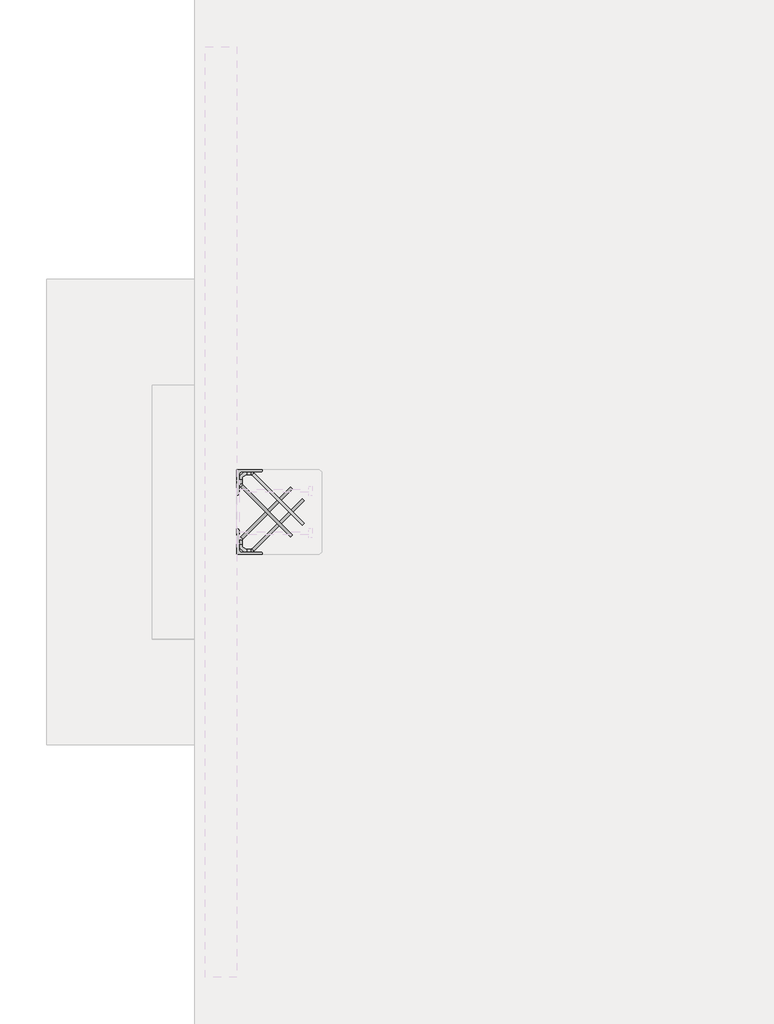
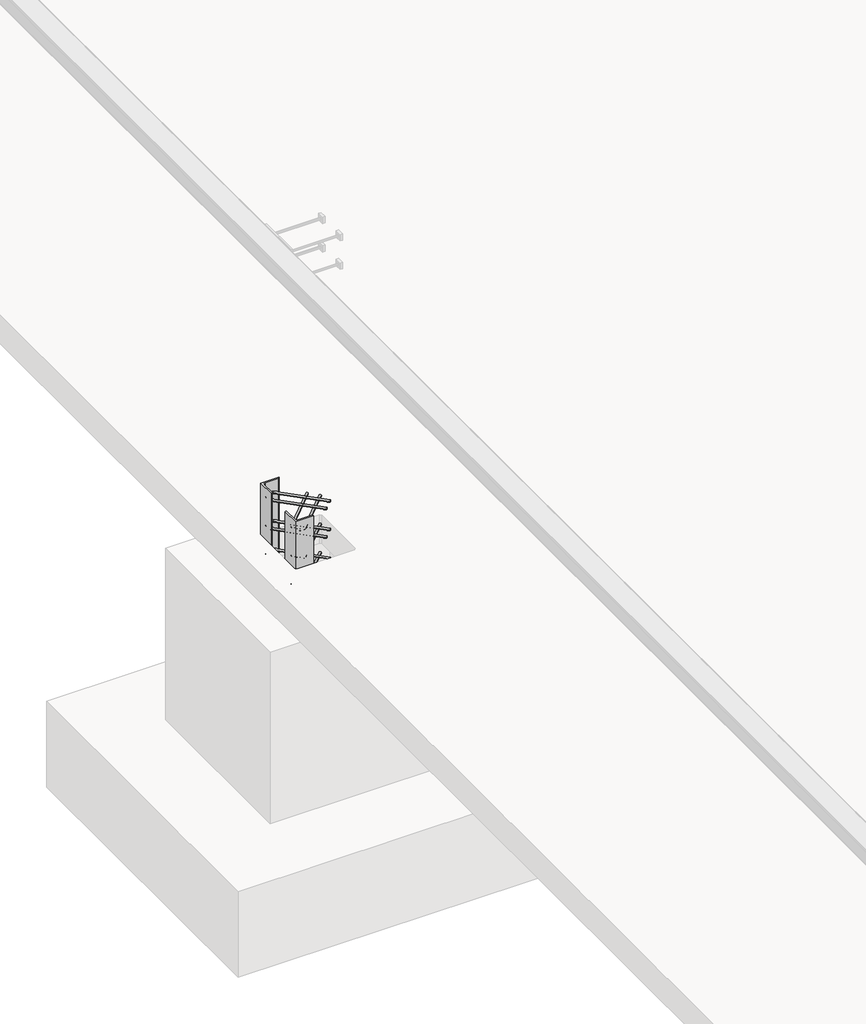
# One storey, part 32 of 65: 2 fasteners.
"""IFC4 building model written with IfcOpenShell, lengths in millimetres."""

from ifc_helpers import new_model, si_unit, point, frame, frame_2d, origin, place, context, project, spatial, polyline, circle_curve, ellipse_curve, trimmed, segment, composite_curve, outline, extrude, element, save
from ifc_brep_helpers import plane_surface, cylinder_surface, revolved_surface, advanced_brep

model = new_model("IFC4")

# Units and contexts
model_context = context("Model", 3, world=origin())
ifc_project = project(units=[si_unit("LENGTHUNIT", "METRE", prefix="MILLI")], contexts=[model_context])

# Site, building, storey
site = spatial("IfcSite", under=ifc_project)
building = spatial("IfcBuilding", under=site)
storey = spatial("IfcBuildingStorey", under=building, Elevation=0.0)

# Fasteners
placement = place(None, origin())
element("IfcFastener", 1, at=placement, inside=storey, context=model_context, shape_type="SolidModel", body=[
    advanced_brep(
    [(10117.4371209, 32747.4623741, -120.0), (10107.5376259, 32737.5628791, -120.0), (10052.5376259, 32682.5628791, -120.0), (10062.4371209, 32692.4623741, -120.0), (9824.0, 32953.0, -120.0), (9810.0, 32953.0, -120.0), (9810.0, 32934.2132034, -120.0), (9824.0, 32934.2132034, -120.0), (9847.0, 32976.0, -120.0), (9847.0, 32990.0, -120.0), (9865.7867966, 32976.0, -120.0), (9865.7867966, 32990.0, -120.0), (9881.3431458, 32983.5563492, -120.0), (9871.4436508, 32973.6568542, -120.0), (9826.3431458, 32928.5563492, -120.0), (9816.4436508, 32918.6568542, -120.0)],
    [
        (0, 1, circle_curve(frame((10112.4873734, 32742.5126266, -120.0), z_axis=(0.7071067811865446, -0.7071067811865505, 0.0), x_axis=(-0.7071067811865506, -0.7071067811865447, 0.0)), 7.0)),
        (1, 0, circle_curve(frame((10112.4873734, 32742.5126266, -120.0), z_axis=(0.7071067811865446, -0.7071067811865505, 0.0), x_axis=(-0.7071067811865506, -0.7071067811865447, 0.0)), 7.0)),
        (2, 3, circle_curve(frame((10057.4873734, 32687.5126266, -120.0), z_axis=(0.7071067811865447, -0.7071067811865503, 0.0), x_axis=(0.7071067811865503, 0.7071067811865447, 0.0)), 7.0)),
        (3, 2, circle_curve(frame((10057.4873734, 32687.5126266, -120.0), z_axis=(0.7071067811865447, -0.7071067811865503, 0.0), x_axis=(0.7071067811865503, 0.7071067811865447, 0.0)), 7.0)),
        (4, 5, circle_curve(frame((9817.0, 32953.0, -120.0), z_axis=(0.0, -1.0, 0.0), x_axis=(1.0, 0.0, 0.0)), 7.0)),
        (5, 6),
        (6, 7, circle_curve(frame((9817.0, 32934.2132034, -120.0), z_axis=(0.0, 1.0, 0.0), x_axis=(1.0, 0.0, 0.0)), 7.0)),
        (7, 4),
        (5, 4, circle_curve(frame((9817.0, 32953.0, -120.0), z_axis=(0.0, -1.0, 0.0), x_axis=(1.0, 0.0, 0.0)), 7.0)),
        (7, 6, circle_curve(frame((9817.0, 32934.2132034, -120.0), z_axis=(0.0, 1.0, 0.0), x_axis=(1.0, 0.0, 0.0)), 7.0)),
        (4, 8, circle_curve(frame((9847.0, 32953.0, -120.0), z_axis=(0.0, 0.0, -1.0), x_axis=(0.0, 1.0, 0.0)), 23.0)),
        (8, 9, circle_curve(frame((9847.0, 32983.0, -120.0), z_axis=(-1.0, 0.0, 0.0), x_axis=(0.0, -1.0, 0.0)), 7.0)),
        (9, 5, circle_curve(frame((9847.0, 32953.0, -120.0), z_axis=(0.0, 0.0, 1.0), x_axis=(0.0, 1.0, 0.0)), 37.0)),
        (9, 8, circle_curve(frame((9847.0, 32983.0, -120.0), z_axis=(-1.0, 0.0, 0.0), x_axis=(0.0, -1.0, 0.0)), 7.0)),
        (10, 11, circle_curve(frame((9865.7867966, 32983.0, -120.0), z_axis=(-1.0, 0.0, 0.0), x_axis=(0.0, -1.0, 0.0)), 7.0)),
        (11, 9),
        (8, 10),
        (11, 10, circle_curve(frame((9865.7867966, 32983.0, -120.0), z_axis=(-1.0, 0.0, 0.0), x_axis=(0.0, -1.0, 0.0)), 7.0)),
        (0, 12),
        (12, 13, circle_curve(frame((9876.3933983, 32978.6066017, -120.0), z_axis=(0.7071067811865446, -0.7071067811865505, 0.0), x_axis=(-0.7071067811865506, -0.7071067811865447, 0.0)), 7.0)),
        (13, 1),
        (13, 12, circle_curve(frame((9876.3933983, 32978.6066017, -120.0), z_axis=(0.7071067811865446, -0.7071067811865505, 0.0), x_axis=(-0.7071067811865506, -0.7071067811865447, 0.0)), 7.0)),
        (10, 13, circle_curve(frame((9865.7867966, 32968.0, -120.0), z_axis=(0.0, 0.0, -1.0), x_axis=(0.7071067811865506, 0.7071067811865445, 0.0)), 8.0)),
        (12, 11, circle_curve(frame((9865.7867966, 32968.0, -120.0), z_axis=(0.0, 0.0, 1.0), x_axis=(0.7071067811865506, 0.7071067811865445, 0.0)), 22.0)),
        (14, 7, circle_curve(frame((9832.0, 32934.2132034, -120.0), z_axis=(0.0, 0.0, -1.0), x_axis=(-1.0, 0.0, 0.0)), 8.0)),
        (6, 15, circle_curve(frame((9832.0, 32934.2132034, -120.0), z_axis=(0.0, 0.0, 1.0), x_axis=(-1.0, 0.0, 0.0)), 22.0)),
        (15, 14, circle_curve(frame((9821.3933983, 32923.6066017, -120.0), z_axis=(-0.7071067811865449, 0.7071067811865501, 0.0), x_axis=(0.7071067811865501, 0.7071067811865449, 0.0)), 7.0)),
        (14, 15, circle_curve(frame((9821.3933983, 32923.6066017, -120.0), z_axis=(-0.7071067811865452, 0.7071067811865498, 0.0), x_axis=(0.7071067811865498, 0.7071067811865452, 0.0)), 7.0)),
        (15, 2),
        (3, 14),
    ],
    [
        plane_surface(frame((10112.4873734, 32742.5126266, -120.0), z_axis=(0.7071067811865446, -0.7071067811865505, 0.0), x_axis=(0.0, 0.0, 1.0))),
        plane_surface(frame((10057.4873734, 32687.5126266, -120.0), z_axis=(0.7071067811865447, -0.7071067811865503, 0.0), x_axis=(0.0, 0.0, 1.0))),
        cylinder_surface(frame((9817.0, 32953.0, -120.0), z_axis=(0.0, 1.0, 0.0), x_axis=(1.0, 0.0, 0.0)), 7.0),
        revolved_surface(trimmed(ellipse_curve(frame((9847.0, 32983.0, -120.0), z_axis=(1.0, 0.0, 0.0), x_axis=(0.0, -1.0, 0.0)), 7.0, 7.0), [point((9847.0, 32990.0, -120.0))], [point((9847.0, 32976.0, -120.0))], True, "CARTESIAN"), (9847.0, 32953.0, -120.0), (0.0, 0.0, 1.0)),
        revolved_surface(trimmed(ellipse_curve(frame((9847.0, 32983.0, -120.0), z_axis=(1.0, 0.0, 0.0), x_axis=(0.0, -1.0, 0.0)), 7.0, 7.0), [point((9847.0, 32976.0, -120.0))], [point((9847.0, 32990.0, -120.0))], True, "CARTESIAN"), (9847.0, 32953.0, -120.0), (0.0, 0.0, 1.0)),
        cylinder_surface(frame((9865.7867966, 32983.0, -120.0), z_axis=(1.0, 0.0, 0.0), x_axis=(0.0, -1.0, 0.0)), 7.0),
        cylinder_surface(frame((10112.4873734, 32742.5126266, -120.0), z_axis=(0.7071067811865447, -0.7071067811865506, 0.0), x_axis=(-0.7071067811865506, -0.7071067811865447, 0.0)), 7.0),
        revolved_surface(trimmed(ellipse_curve(frame((9876.3933983, 32978.6066017, -120.0), z_axis=(0.7071067811865445, -0.7071067811865506, 0.0), x_axis=(-0.7071067811865506, -0.7071067811865445, 0.0)), 7.0, 7.0), [point((9881.3431458, 32983.5563492, -120.0))], [point((9871.4436508, 32973.6568542, -120.0))], True, "CARTESIAN"), (9865.7867966, 32968.0, -120.0), (0.0, 0.0, 1.0)),
        revolved_surface(trimmed(ellipse_curve(frame((9876.3933983, 32978.6066017, -120.0), z_axis=(0.7071067811865445, -0.7071067811865506, 0.0), x_axis=(-0.7071067811865506, -0.7071067811865445, 0.0)), 7.0, 7.0), [point((9871.4436508, 32973.6568542, -120.0))], [point((9881.3431458, 32983.5563492, -120.0))], True, "CARTESIAN"), (9865.7867966, 32968.0, -120.0), (0.0, 0.0, 1.0)),
        revolved_surface(trimmed(ellipse_curve(frame((9817.0, 32934.2132034, -120.0), z_axis=(0.0, 1.0, 0.0), x_axis=(1.0, 0.0, 0.0)), 7.0, 7.0), [point((9810.0, 32934.2132034, -120.0))], [point((9824.0, 32934.2132034, -120.0))], True, "CARTESIAN"), (9832.0, 32934.2132034, -120.0), (0.0, 0.0, 1.0)),
        revolved_surface(trimmed(ellipse_curve(frame((9817.0, 32934.2132034, -120.0), z_axis=(0.0, 1.0, 0.0), x_axis=(1.0, 0.0, 0.0)), 7.0, 7.0), [point((9824.0, 32934.2132034, -120.0))], [point((9810.0, 32934.2132034, -120.0))], True, "CARTESIAN"), (9832.0, 32934.2132034, -120.0), (0.0, 0.0, 1.0)),
        cylinder_surface(frame((9821.3933983, 32923.6066017, -120.0), z_axis=(-0.7071067811865447, 0.7071067811865503, 0.0), x_axis=(0.7071067811865503, 0.7071067811865447, 0.0)), 7.0),
    ],
    [
        (0, [[1, 2]]),
        (1, [[3, 4]]),
        (2, [[5, 6, 7, 8]]),
        (2, [[9, -8, 10, -6]]),
        (3, [[11, 12, 13, -5]]),
        (4, [[-13, 14, -11, -9]]),
        (5, [[15, 16, -12, 17]]),
        (5, [[18, -17, -14, -16]]),
        (6, [[-1, 19, 20, 21]]),
        (6, [[-2, -21, 22, -19]]),
        (7, [[23, -20, 24, -15]]),
        (8, [[-24, -22, -23, -18]]),
        (9, [[25, -7, 26, 27]]),
        (10, [[-26, -10, -25, 28]]),
        (11, [[-27, 29, -4, 30]]),
        (11, [[-28, -30, -3, -29]]),
    ],
),
    advanced_brep(
    [(10107.5376259, 32737.5628791, 280.0), (10117.4371209, 32747.4623741, 280.0), (10062.4371209, 32692.4623741, 280.0), (10052.5376259, 32682.5628791, 280.0), (9810.0, 32953.0, 280.0), (9824.0, 32953.0, 280.0), (9824.0, 32934.2132034, 280.0), (9810.0, 32934.2132034, 280.0), (9847.0, 32990.0, 280.0), (9847.0, 32976.0, 280.0), (9865.7867966, 32990.0, 280.0), (9865.7867966, 32976.0, 280.0), (9871.4436508, 32973.6568542, 280.0), (9881.3431458, 32983.5563492, 280.0), (9816.4436508, 32918.6568542, 280.0), (9826.3431458, 32928.5563492, 280.0)],
    [
        (0, 1, circle_curve(frame((10112.4873734, 32742.5126266, 280.0), z_axis=(0.7071067811865446, -0.7071067811865505, 0.0), x_axis=(0.7071067811865506, 0.7071067811865447, 0.0)), 7.0)),
        (1, 0, circle_curve(frame((10112.4873734, 32742.5126266, 280.0), z_axis=(0.7071067811865446, -0.7071067811865505, 0.0), x_axis=(0.7071067811865506, 0.7071067811865447, 0.0)), 7.0)),
        (2, 3, circle_curve(frame((10057.4873734, 32687.5126266, 280.0), z_axis=(0.7071067811865447, -0.7071067811865505, 0.0), x_axis=(-0.7071067811865505, -0.7071067811865447, 0.0)), 7.0)),
        (3, 2, circle_curve(frame((10057.4873734, 32687.5126266, 280.0), z_axis=(0.7071067811865447, -0.7071067811865505, 0.0), x_axis=(-0.7071067811865505, -0.7071067811865447, 0.0)), 7.0)),
        (4, 5, circle_curve(frame((9817.0, 32953.0, 280.0), z_axis=(0.0, -1.0, 0.0), x_axis=(-1.0, 0.0, 0.0)), 7.0)),
        (5, 6),
        (6, 7, circle_curve(frame((9817.0, 32934.2132034, 280.0), z_axis=(0.0, 1.0, 0.0), x_axis=(-1.0, 0.0, 0.0)), 7.0)),
        (7, 4),
        (5, 4, circle_curve(frame((9817.0, 32953.0, 280.0), z_axis=(0.0, -1.0, 0.0), x_axis=(-1.0, 0.0, 0.0)), 7.0)),
        (7, 6, circle_curve(frame((9817.0, 32934.2132034, 280.0), z_axis=(0.0, 1.0, 0.0), x_axis=(-1.0, 0.0, 0.0)), 7.0)),
        (4, 8, circle_curve(frame((9847.0, 32953.0, 280.0), z_axis=(0.0, 0.0, -1.0), x_axis=(0.0, 1.0, 0.0)), 37.0)),
        (8, 9, circle_curve(frame((9847.0, 32983.0, 280.0), z_axis=(-1.0, 0.0, 0.0), x_axis=(0.0, 1.0, 0.0)), 7.0)),
        (9, 5, circle_curve(frame((9847.0, 32953.0, 280.0), z_axis=(0.0, 0.0, 1.0), x_axis=(0.0, 1.0, 0.0)), 23.0)),
        (9, 8, circle_curve(frame((9847.0, 32983.0, 280.0), z_axis=(-1.0, 0.0, 0.0), x_axis=(0.0, 1.0, 0.0)), 7.0)),
        (10, 11, circle_curve(frame((9865.7867966, 32983.0, 280.0), z_axis=(-1.0, 0.0, 0.0), x_axis=(0.0, 1.0, 0.0)), 7.0)),
        (11, 9),
        (8, 10),
        (11, 10, circle_curve(frame((9865.7867966, 32983.0, 280.0), z_axis=(-1.0, 0.0, 0.0), x_axis=(0.0, 1.0, 0.0)), 7.0)),
        (0, 12),
        (12, 13, circle_curve(frame((9876.3933983, 32978.6066017, 280.0), z_axis=(0.7071067811865446, -0.7071067811865505, 0.0), x_axis=(0.7071067811865506, 0.7071067811865447, 0.0)), 7.0)),
        (13, 1),
        (13, 12, circle_curve(frame((9876.3933983, 32978.6066017, 280.0), z_axis=(0.7071067811865446, -0.7071067811865505, 0.0), x_axis=(0.7071067811865506, 0.7071067811865447, 0.0)), 7.0)),
        (10, 13, circle_curve(frame((9865.7867966, 32968.0, 280.0), z_axis=(0.0, 0.0, -1.0), x_axis=(0.7071067811865506, 0.7071067811865445, 0.0)), 22.0)),
        (12, 11, circle_curve(frame((9865.7867966, 32968.0, 280.0), z_axis=(0.0, 0.0, 1.0), x_axis=(0.7071067811865506, 0.7071067811865445, 0.0)), 8.0)),
        (14, 7, circle_curve(frame((9832.0, 32934.2132034, 280.0), z_axis=(0.0, 0.0, -1.0), x_axis=(-1.0, 0.0, 0.0)), 22.0)),
        (6, 15, circle_curve(frame((9832.0, 32934.2132034, 280.0), z_axis=(0.0, 0.0, 1.0), x_axis=(-1.0, 0.0, 0.0)), 8.0)),
        (15, 14, circle_curve(frame((9821.3933983, 32923.6066017, 280.0), z_axis=(-0.7071067811865465, 0.7071067811865486, 0.0), x_axis=(-0.7071067811865486, -0.7071067811865465, 0.0)), 7.0)),
        (14, 15, circle_curve(frame((9821.3933983, 32923.6066017, 280.0), z_axis=(-0.7071067811865455, 0.7071067811865496, 0.0), x_axis=(-0.7071067811865496, -0.7071067811865455, 0.0)), 7.0)),
        (15, 2),
        (3, 14),
    ],
    [
        plane_surface(frame((10112.4873734, 32742.5126266, 280.0), z_axis=(0.7071067811865446, -0.7071067811865505, 0.0), x_axis=(0.0, 0.0, -1.0))),
        plane_surface(frame((10057.4873734, 32687.5126266, 280.0), z_axis=(0.7071067811865447, -0.7071067811865505, 0.0), x_axis=(0.0, 0.0, -1.0))),
        cylinder_surface(frame((9817.0, 32953.0, 280.0), z_axis=(0.0, 1.0, 0.0), x_axis=(-1.0, 0.0, 0.0)), 7.0),
        revolved_surface(trimmed(ellipse_curve(frame((9847.0, 32983.0, 280.0), z_axis=(1.0, 0.0, 0.0), x_axis=(0.0, 1.0, 0.0)), 7.0, 7.0), [point((9847.0, 32976.0, 280.0))], [point((9847.0, 32990.0, 280.0))], True, "CARTESIAN"), (9847.0, 32953.0, 280.0), (0.0, 0.0, 1.0)),
        revolved_surface(trimmed(ellipse_curve(frame((9847.0, 32983.0, 280.0), z_axis=(1.0, 0.0, 0.0), x_axis=(0.0, 1.0, 0.0)), 7.0, 7.0), [point((9847.0, 32990.0, 280.0))], [point((9847.0, 32976.0, 280.0))], True, "CARTESIAN"), (9847.0, 32953.0, 280.0), (0.0, 0.0, 1.0)),
        cylinder_surface(frame((9865.7867966, 32983.0, 280.0), z_axis=(1.0, 0.0, 0.0), x_axis=(0.0, 1.0, 0.0)), 7.0),
        cylinder_surface(frame((10112.4873734, 32742.5126266, 280.0), z_axis=(0.7071067811865447, -0.7071067811865506, 0.0), x_axis=(0.7071067811865506, 0.7071067811865447, 0.0)), 7.0),
        revolved_surface(trimmed(ellipse_curve(frame((9876.3933983, 32978.6066017, 280.0), z_axis=(0.7071067811865445, -0.7071067811865506, 0.0), x_axis=(0.7071067811865506, 0.7071067811865445, 0.0)), 7.0, 7.0), [point((9871.4436508, 32973.6568542, 280.0))], [point((9881.3431458, 32983.5563492, 280.0))], True, "CARTESIAN"), (9865.7867966, 32968.0, 280.0), (0.0, 0.0, 1.0)),
        revolved_surface(trimmed(ellipse_curve(frame((9876.3933983, 32978.6066017, 280.0), z_axis=(0.7071067811865445, -0.7071067811865506, 0.0), x_axis=(0.7071067811865506, 0.7071067811865445, 0.0)), 7.0, 7.0), [point((9881.3431458, 32983.5563492, 280.0))], [point((9871.4436508, 32973.6568542, 280.0))], True, "CARTESIAN"), (9865.7867966, 32968.0, 280.0), (0.0, 0.0, 1.0)),
        revolved_surface(trimmed(ellipse_curve(frame((9817.0, 32934.2132034, 280.0), z_axis=(0.0, 1.0, 0.0), x_axis=(-1.0, 0.0, 0.0)), 7.0, 7.0), [point((9824.0, 32934.2132034, 280.0))], [point((9810.0, 32934.2132034, 280.0))], True, "CARTESIAN"), (9832.0, 32934.2132034, 280.0), (0.0, 0.0, 1.0)),
        revolved_surface(trimmed(ellipse_curve(frame((9817.0, 32934.2132034, 280.0), z_axis=(0.0, 1.0, 0.0), x_axis=(-1.0, 0.0, 0.0)), 7.0, 7.0), [point((9810.0, 32934.2132034, 280.0))], [point((9824.0, 32934.2132034, 280.0))], True, "CARTESIAN"), (9832.0, 32934.2132034, 280.0), (0.0, 0.0, 1.0)),
        cylinder_surface(frame((9821.3933983, 32923.6066017, 280.0), z_axis=(-0.7071067811865447, 0.7071067811865505, 0.0), x_axis=(-0.7071067811865505, -0.7071067811865447, 0.0)), 7.0),
    ],
    [
        (0, [[1, 2]]),
        (1, [[3, 4]]),
        (2, [[5, 6, 7, 8]]),
        (2, [[9, -8, 10, -6]]),
        (3, [[11, 12, 13, -5]]),
        (4, [[-13, 14, -11, -9]]),
        (5, [[15, 16, -12, 17]]),
        (5, [[18, -17, -14, -16]]),
        (6, [[-1, 19, 20, 21]]),
        (6, [[-2, -21, 22, -19]]),
        (7, [[23, -20, 24, -15]]),
        (8, [[-24, -22, -23, -18]]),
        (9, [[25, -7, 26, 27]]),
        (10, [[-26, -10, -25, 28]]),
        (11, [[-27, 29, -4, 30]]),
        (11, [[-28, -30, -3, -29]]),
    ],
),
    advanced_brep(
    [(10107.5376259, 32737.5628791, 80.0), (10117.4371209, 32747.4623741, 80.0), (10062.4371209, 32692.4623741, 80.0), (10052.5376259, 32682.5628791, 80.0), (9810.0, 32953.0, 80.0), (9824.0, 32953.0, 80.0), (9824.0, 32934.2132034, 80.0), (9810.0, 32934.2132034, 80.0), (9847.0, 32990.0, 80.0), (9847.0, 32976.0, 80.0), (9865.7867966, 32990.0, 80.0), (9865.7867966, 32976.0, 80.0), (9871.4436508, 32973.6568542, 80.0), (9881.3431458, 32983.5563492, 80.0), (9816.4436508, 32918.6568542, 80.0), (9826.3431458, 32928.5563492, 80.0)],
    [
        (0, 1, circle_curve(frame((10112.4873734, 32742.5126266, 80.0), z_axis=(0.7071067811865446, -0.7071067811865505, 0.0), x_axis=(0.7071067811865505, 0.7071067811865446, 0.0)), 7.0)),
        (1, 0, circle_curve(frame((10112.4873734, 32742.5126266, 80.0), z_axis=(0.7071067811865446, -0.7071067811865505, 0.0), x_axis=(0.7071067811865505, 0.7071067811865446, 0.0)), 7.0)),
        (2, 3, circle_curve(frame((10057.4873734, 32687.5126266, 80.0), z_axis=(0.7071067811865447, -0.7071067811865505, 0.0), x_axis=(-0.7071067811865505, -0.7071067811865447, 0.0)), 7.0)),
        (3, 2, circle_curve(frame((10057.4873734, 32687.5126266, 80.0), z_axis=(0.7071067811865447, -0.7071067811865505, 0.0), x_axis=(-0.7071067811865505, -0.7071067811865447, 0.0)), 7.0)),
        (4, 5, circle_curve(frame((9817.0, 32953.0, 80.0), z_axis=(0.0, -1.0, 0.0), x_axis=(-1.0, 0.0, 0.0)), 7.0)),
        (5, 6),
        (6, 7, circle_curve(frame((9817.0, 32934.2132034, 80.0), z_axis=(0.0, 1.0, 0.0), x_axis=(-1.0, 0.0, 0.0)), 7.0)),
        (7, 4),
        (5, 4, circle_curve(frame((9817.0, 32953.0, 80.0), z_axis=(0.0, -1.0, 0.0), x_axis=(-1.0, 0.0, 0.0)), 7.0)),
        (7, 6, circle_curve(frame((9817.0, 32934.2132034, 80.0), z_axis=(0.0, 1.0, 0.0), x_axis=(-1.0, 0.0, 0.0)), 7.0)),
        (4, 8, circle_curve(frame((9847.0, 32953.0, 80.0), z_axis=(0.0, 0.0, -1.0), x_axis=(0.0, 1.0, 0.0)), 37.0)),
        (8, 9, circle_curve(frame((9847.0, 32983.0, 80.0), z_axis=(-1.0, 0.0, 0.0), x_axis=(0.0, 1.0, 0.0)), 7.0)),
        (9, 5, circle_curve(frame((9847.0, 32953.0, 80.0), z_axis=(0.0, 0.0, 1.0), x_axis=(0.0, 1.0, 0.0)), 23.0)),
        (9, 8, circle_curve(frame((9847.0, 32983.0, 80.0), z_axis=(-1.0, 0.0, 0.0), x_axis=(0.0, 1.0, 0.0)), 7.0)),
        (10, 11, circle_curve(frame((9865.7867966, 32983.0, 80.0), z_axis=(-1.0, 0.0, 0.0), x_axis=(0.0, 1.0, 0.0)), 7.0)),
        (11, 9),
        (8, 10),
        (11, 10, circle_curve(frame((9865.7867966, 32983.0, 80.0), z_axis=(-1.0, 0.0, 0.0), x_axis=(0.0, 1.0, 0.0)), 7.0)),
        (0, 12),
        (12, 13, circle_curve(frame((9876.3933983, 32978.6066017, 80.0), z_axis=(0.7071067811865446, -0.7071067811865505, 0.0), x_axis=(0.7071067811865505, 0.7071067811865446, 0.0)), 7.0)),
        (13, 1),
        (13, 12, circle_curve(frame((9876.3933983, 32978.6066017, 80.0), z_axis=(0.7071067811865446, -0.7071067811865505, 0.0), x_axis=(0.7071067811865505, 0.7071067811865446, 0.0)), 7.0)),
        (10, 13, circle_curve(frame((9865.7867966, 32968.0, 80.0), z_axis=(0.0, 0.0, -1.0), x_axis=(0.7071067811865506, 0.7071067811865445, 0.0)), 22.0)),
        (12, 11, circle_curve(frame((9865.7867966, 32968.0, 80.0), z_axis=(0.0, 0.0, 1.0), x_axis=(0.7071067811865506, 0.7071067811865445, 0.0)), 8.0)),
        (14, 7, circle_curve(frame((9832.0, 32934.2132034, 80.0), z_axis=(0.0, 0.0, -1.0), x_axis=(-1.0, 0.0, 0.0)), 22.0)),
        (6, 15, circle_curve(frame((9832.0, 32934.2132034, 80.0), z_axis=(0.0, 0.0, 1.0), x_axis=(-1.0, 0.0, 0.0)), 8.0)),
        (15, 14, circle_curve(frame((9821.3933983, 32923.6066017, 80.0), z_axis=(-0.7071067811865448, 0.7071067811865502, 0.0), x_axis=(-0.7071067811865502, -0.7071067811865448, 0.0)), 7.0)),
        (14, 15, circle_curve(frame((9821.3933983, 32923.6066017, 80.0), z_axis=(-0.7071067811865449, 0.7071067811865501, 0.0), x_axis=(-0.7071067811865501, -0.7071067811865449, 0.0)), 7.0)),
        (15, 2),
        (3, 14),
    ],
    [
        plane_surface(frame((10112.4873734, 32742.5126266, 80.0), z_axis=(0.7071067811865446, -0.7071067811865505, 0.0), x_axis=(0.0, 0.0, -1.0))),
        plane_surface(frame((10057.4873734, 32687.5126266, 80.0), z_axis=(0.7071067811865448, -0.7071067811865503, 0.0), x_axis=(0.0, 0.0, -1.0))),
        cylinder_surface(frame((9817.0, 32953.0, 80.0), z_axis=(0.0, 1.0, 0.0), x_axis=(-1.0, 0.0, 0.0)), 7.0),
        revolved_surface(trimmed(ellipse_curve(frame((9847.0, 32983.0, 80.0), z_axis=(1.0, 0.0, 0.0), x_axis=(0.0, 1.0, 0.0)), 7.0, 7.0), [point((9847.0, 32976.0, 80.0))], [point((9847.0, 32990.0, 80.0))], True, "CARTESIAN"), (9847.0, 32953.0, 80.0), (0.0, 0.0, 1.0)),
        revolved_surface(trimmed(ellipse_curve(frame((9847.0, 32983.0, 80.0), z_axis=(1.0, 0.0, 0.0), x_axis=(0.0, 1.0, 0.0)), 7.0, 7.0), [point((9847.0, 32990.0, 80.0))], [point((9847.0, 32976.0, 80.0))], True, "CARTESIAN"), (9847.0, 32953.0, 80.0), (0.0, 0.0, 1.0)),
        cylinder_surface(frame((9865.7867966, 32983.0, 80.0), z_axis=(1.0, 0.0, 0.0), x_axis=(0.0, 1.0, 0.0)), 7.0),
        cylinder_surface(frame((10112.4873734, 32742.5126266, 80.0), z_axis=(0.7071067811865446, -0.7071067811865505, 0.0), x_axis=(0.7071067811865505, 0.7071067811865446, 0.0)), 7.0),
        revolved_surface(trimmed(ellipse_curve(frame((9876.3933983, 32978.6066017, 80.0), z_axis=(0.7071067811865444, -0.7071067811865507, 0.0), x_axis=(0.7071067811865507, 0.7071067811865444, 0.0)), 7.0, 7.0), [point((9871.4436508, 32973.6568542, 80.0))], [point((9881.3431458, 32983.5563492, 80.0))], True, "CARTESIAN"), (9865.7867966, 32968.0, 80.0), (0.0, 0.0, 1.0)),
        revolved_surface(trimmed(ellipse_curve(frame((9876.3933983, 32978.6066017, 80.0), z_axis=(0.7071067811865444, -0.7071067811865507, 0.0), x_axis=(0.7071067811865507, 0.7071067811865444, 0.0)), 7.0, 7.0), [point((9881.3431458, 32983.5563492, 80.0))], [point((9871.4436508, 32973.6568542, 80.0))], True, "CARTESIAN"), (9865.7867966, 32968.0, 80.0), (0.0, 0.0, 1.0)),
        revolved_surface(trimmed(ellipse_curve(frame((9817.0, 32934.2132034, 80.0), z_axis=(0.0, 1.0, 0.0), x_axis=(-1.0, 0.0, 0.0)), 7.0, 7.0), [point((9824.0, 32934.2132034, 80.0))], [point((9810.0, 32934.2132034, 80.0))], True, "CARTESIAN"), (9832.0, 32934.2132034, 80.0), (0.0, 0.0, 1.0)),
        revolved_surface(trimmed(ellipse_curve(frame((9817.0, 32934.2132034, 80.0), z_axis=(0.0, 1.0, 0.0), x_axis=(-1.0, 0.0, 0.0)), 7.0, 7.0), [point((9810.0, 32934.2132034, 80.0))], [point((9824.0, 32934.2132034, 80.0))], True, "CARTESIAN"), (9832.0, 32934.2132034, 80.0), (0.0, 0.0, 1.0)),
        cylinder_surface(frame((9821.3933983, 32923.6066017, 80.0), z_axis=(-0.7071067811865447, 0.7071067811865505, 0.0), x_axis=(-0.7071067811865505, -0.7071067811865447, 0.0)), 7.0),
    ],
    [
        (0, [[1, 2]]),
        (1, [[3, 4]]),
        (2, [[5, 6, 7, 8]]),
        (2, [[9, -8, 10, -6]]),
        (3, [[11, 12, 13, -5]]),
        (4, [[-13, 14, -11, -9]]),
        (5, [[15, 16, -12, 17]]),
        (5, [[18, -17, -14, -16]]),
        (6, [[-1, 19, 20, 21]]),
        (6, [[-2, -21, 22, -19]]),
        (7, [[23, -20, 24, -15]]),
        (8, [[-24, -22, -23, -18]]),
        (9, [[25, -7, 26, 27]]),
        (10, [[-26, -10, -25, 28]]),
        (11, [[-27, 29, -4, 30]]),
        (11, [[-28, -30, -3, -29]]),
    ],
),
    extrude(outline(composite_curve([segment(polyline([(9800.0, 33000.0), (9920.0, 33000.0), (9920.0, 32996.5)]), True, "CONTINUOUS"), segment(trimmed(circle_curve(frame_2d((9913.5, 32996.5)), 6.5), [point((9920.0, 32996.5))], [point((9913.5, 32990.0))], False, "CARTESIAN"), True, "CONTINUOUS"), segment(polyline([(9913.5, 32990.0), (9823.0, 32990.0)]), True, "CONTINUOUS"), segment(trimmed(circle_curve(frame_2d((9823.0, 32977.0)), 13.0), [point((9823.0, 32990.0))], [point((9810.0, 32977.0))], True, "CARTESIAN"), True, "CONTINUOUS"), segment(polyline([(9810.0, 32977.0), (9810.0, 32886.5)]), True, "CONTINUOUS"), segment(trimmed(circle_curve(frame_2d((9803.5, 32886.5)), 6.5), [point((9810.0, 32886.5))], [point((9803.5, 32880.0))], False, "CARTESIAN"), True, "CONTINUOUS"), segment(polyline([(9803.5, 32880.0), (9800.0, 32880.0), (9800.0, 33000.0)]), True, "CONTINUOUS")], self_intersect=False)), frame((0.0, 0.0, -200.0), z_axis=(0.0, 0.0, 1.0), x_axis=(1.0, 0.0, 0.0)), (0.0, 0.0, 1.0), 560.0),
])
element("IfcFastener", 2, at=placement, inside=storey, context=model_context, shape_type="SolidModel", body=[
    advanced_brep(
    [(10117.4371209, 32852.5376259, 250.0), (10107.5376259, 32862.4371209, 250.0), (10052.5376259, 32917.4371209, 250.0), (10062.4371209, 32907.5376259, 250.0), (9824.0, 32647.0, 250.0), (9810.0, 32647.0, 250.0), (9810.0, 32665.7867966, 250.0), (9824.0, 32665.7867966, 250.0), (9847.0, 32624.0, 250.0), (9847.0, 32610.0, 250.0), (9865.7867966, 32624.0, 250.0), (9865.7867966, 32610.0, 250.0), (9881.3431458, 32616.4436508, 250.0), (9871.4436508, 32626.3431458, 250.0), (9826.3431458, 32671.4436508, 250.0), (9816.4436508, 32681.3431458, 250.0)],
    [
        (0, 1, circle_curve(frame((10112.4873734, 32857.4873734, 250.0), z_axis=(0.7071067811865493, 0.7071067811865459, 0.0), x_axis=(-0.7071067811865459, 0.7071067811865493, 0.0)), 7.0)),
        (1, 0, circle_curve(frame((10112.4873734, 32857.4873734, 250.0), z_axis=(0.7071067811865493, 0.7071067811865459, 0.0), x_axis=(-0.7071067811865459, 0.7071067811865493, 0.0)), 7.0)),
        (2, 3, circle_curve(frame((10057.4873734, 32912.4873734, 250.0), z_axis=(0.7071067811865493, 0.7071067811865457, 0.0), x_axis=(0.7071067811865457, -0.7071067811865493, 0.0)), 7.0)),
        (3, 2, circle_curve(frame((10057.4873734, 32912.4873734, 250.0), z_axis=(0.7071067811865493, 0.7071067811865457, 0.0), x_axis=(0.7071067811865457, -0.7071067811865493, 0.0)), 7.0)),
        (4, 5, circle_curve(frame((9817.0, 32647.0, 250.0), z_axis=(0.0, 1.0, 0.0), x_axis=(1.0, 0.0, 0.0)), 7.0)),
        (5, 6),
        (6, 7, circle_curve(frame((9817.0, 32665.7867966, 250.0), z_axis=(0.0, -1.0, 0.0), x_axis=(1.0, 0.0, 0.0)), 7.0)),
        (7, 4),
        (5, 4, circle_curve(frame((9817.0, 32647.0, 250.0), z_axis=(0.0, 1.0, 0.0), x_axis=(1.0, 0.0, 0.0)), 7.0)),
        (7, 6, circle_curve(frame((9817.0, 32665.7867966, 250.0), z_axis=(0.0, -1.0, 0.0), x_axis=(1.0, 0.0, 0.0)), 7.0)),
        (4, 8, circle_curve(frame((9847.0, 32647.0, 250.0), z_axis=(0.0, 0.0, 1.0), x_axis=(0.0, -1.0, 0.0)), 23.0)),
        (8, 9, circle_curve(frame((9847.0, 32617.0, 250.0), z_axis=(-1.0, 0.0, 0.0), x_axis=(0.0, 1.0, 0.0)), 7.0)),
        (9, 5, circle_curve(frame((9847.0, 32647.0, 250.0), z_axis=(0.0, 0.0, -1.0), x_axis=(0.0, -1.0, 0.0)), 37.0)),
        (9, 8, circle_curve(frame((9847.0, 32617.0, 250.0), z_axis=(-1.0, 0.0, 0.0), x_axis=(0.0, 1.0, 0.0)), 7.0)),
        (10, 11, circle_curve(frame((9865.7867966, 32617.0, 250.0), z_axis=(-1.0, 0.0, 0.0), x_axis=(0.0, 1.0, 0.0)), 7.0)),
        (11, 9),
        (8, 10),
        (11, 10, circle_curve(frame((9865.7867966, 32617.0, 250.0), z_axis=(-1.0, 0.0, 0.0), x_axis=(0.0, 1.0, 0.0)), 7.0)),
        (0, 12),
        (12, 13, circle_curve(frame((9876.3933983, 32621.3933983, 250.0), z_axis=(0.7071067811865493, 0.7071067811865459, 0.0), x_axis=(-0.7071067811865459, 0.7071067811865493, 0.0)), 7.0)),
        (13, 1),
        (13, 12, circle_curve(frame((9876.3933983, 32621.3933983, 250.0), z_axis=(0.7071067811865493, 0.7071067811865459, 0.0), x_axis=(-0.7071067811865459, 0.7071067811865493, 0.0)), 7.0)),
        (10, 13, circle_curve(frame((9865.7867966, 32632.0, 250.0), z_axis=(0.0, 0.0, 1.0), x_axis=(0.7071067811865459, -0.7071067811865491, 0.0)), 8.0)),
        (12, 11, circle_curve(frame((9865.7867966, 32632.0, 250.0), z_axis=(0.0, 0.0, -1.0), x_axis=(0.7071067811865459, -0.7071067811865491, 0.0)), 22.0)),
        (14, 7, circle_curve(frame((9832.0, 32665.7867966, 250.0), z_axis=(0.0, 0.0, 1.0), x_axis=(-1.0, 0.0, 0.0)), 8.0)),
        (6, 15, circle_curve(frame((9832.0, 32665.7867966, 250.0), z_axis=(0.0, 0.0, -1.0), x_axis=(-1.0, 0.0, 0.0)), 22.0)),
        (15, 14, circle_curve(frame((9821.3933983, 32676.3933983, 250.0), z_axis=(-0.7071067811865495, -0.7071067811865456, 0.0), x_axis=(0.7071067811865456, -0.7071067811865495, 0.0)), 7.0)),
        (14, 15, circle_curve(frame((9821.3933983, 32676.3933983, 250.0), z_axis=(-0.7071067811865498, -0.7071067811865452, 0.0), x_axis=(0.7071067811865452, -0.7071067811865498, 0.0)), 7.0)),
        (15, 2),
        (3, 14),
    ],
    [
        plane_surface(frame((10112.4873734, 32857.4873734, 250.0), z_axis=(0.7071067811865493, 0.7071067811865459, 0.0), x_axis=(0.0, 0.0, -1.0))),
        plane_surface(frame((10057.4873734, 32912.4873734, 250.0), z_axis=(0.7071067811865493, 0.7071067811865457, 0.0), x_axis=(0.0, 0.0, -1.0))),
        cylinder_surface(frame((9817.0, 32647.0, 250.0), z_axis=(0.0, -1.0, 0.0), x_axis=(1.0, 0.0, 0.0)), 7.0),
        revolved_surface(trimmed(ellipse_curve(frame((9847.0, 32617.0, 250.0), z_axis=(1.0, 0.0, 0.0), x_axis=(0.0, 1.0, 0.0)), 7.0, 7.0), [point((9847.0, 32610.0, 250.0))], [point((9847.0, 32624.0, 250.0))], True, "CARTESIAN"), (9847.0, 32647.0, 250.0), (0.0, 0.0, -1.0)),
        revolved_surface(trimmed(ellipse_curve(frame((9847.0, 32617.0, 250.0), z_axis=(1.0, 0.0, 0.0), x_axis=(0.0, 1.0, 0.0)), 7.0, 7.0), [point((9847.0, 32624.0, 250.0))], [point((9847.0, 32610.0, 250.0))], True, "CARTESIAN"), (9847.0, 32647.0, 250.0), (0.0, 0.0, -1.0)),
        cylinder_surface(frame((9865.7867966, 32617.0, 250.0), z_axis=(1.0, 0.0, 0.0), x_axis=(0.0, 1.0, 0.0)), 7.0),
        cylinder_surface(frame((10112.4873734, 32857.4873734, 250.0), z_axis=(0.7071067811865493, 0.7071067811865459, 0.0), x_axis=(-0.7071067811865459, 0.7071067811865493, 0.0)), 7.0),
        revolved_surface(trimmed(ellipse_curve(frame((9876.3933983, 32621.3933983, 250.0), z_axis=(0.7071067811865491, 0.7071067811865459, 0.0), x_axis=(-0.7071067811865459, 0.7071067811865491, 0.0)), 7.0, 7.0), [point((9881.3431458, 32616.4436508, 250.0))], [point((9871.4436508, 32626.3431458, 250.0))], True, "CARTESIAN"), (9865.7867966, 32632.0, 250.0), (0.0, 0.0, -1.0)),
        revolved_surface(trimmed(ellipse_curve(frame((9876.3933983, 32621.3933983, 250.0), z_axis=(0.7071067811865491, 0.7071067811865459, 0.0), x_axis=(-0.7071067811865459, 0.7071067811865491, 0.0)), 7.0, 7.0), [point((9871.4436508, 32626.3431458, 250.0))], [point((9881.3431458, 32616.4436508, 250.0))], True, "CARTESIAN"), (9865.7867966, 32632.0, 250.0), (0.0, 0.0, -1.0)),
        revolved_surface(trimmed(ellipse_curve(frame((9817.0, 32665.7867966, 250.0), z_axis=(0.0, -1.0, 0.0), x_axis=(1.0, 0.0, 0.0)), 7.0, 7.0), [point((9810.0, 32665.7867966, 250.0))], [point((9824.0, 32665.7867966, 250.0))], True, "CARTESIAN"), (9832.0, 32665.7867966, 250.0), (0.0, 0.0, -1.0)),
        revolved_surface(trimmed(ellipse_curve(frame((9817.0, 32665.7867966, 250.0), z_axis=(0.0, -1.0, 0.0), x_axis=(1.0, 0.0, 0.0)), 7.0, 7.0), [point((9824.0, 32665.7867966, 250.0))], [point((9810.0, 32665.7867966, 250.0))], True, "CARTESIAN"), (9832.0, 32665.7867966, 250.0), (0.0, 0.0, -1.0)),
        cylinder_surface(frame((9821.3933983, 32676.3933983, 250.0), z_axis=(-0.7071067811865493, -0.7071067811865457, 0.0), x_axis=(0.7071067811865457, -0.7071067811865493, 0.0)), 7.0),
    ],
    [
        (0, [[1, 2]]),
        (1, [[3, 4]]),
        (2, [[5, 6, 7, 8]]),
        (2, [[9, -8, 10, -6]]),
        (3, [[11, 12, 13, -5]]),
        (4, [[-13, 14, -11, -9]]),
        (5, [[15, 16, -12, 17]]),
        (5, [[18, -17, -14, -16]]),
        (6, [[-1, 19, 20, 21]]),
        (6, [[-2, -21, 22, -19]]),
        (7, [[23, -20, 24, -15]]),
        (8, [[-24, -22, -23, -18]]),
        (9, [[25, -7, 26, 27]]),
        (10, [[-26, -10, -25, 28]]),
        (11, [[-27, 29, -4, 30]]),
        (11, [[-28, -30, -3, -29]]),
    ],
),
    advanced_brep(
    [(10107.5376259, 32862.4371209, -150.0), (10117.4371209, 32852.5376259, -150.0), (10062.4371209, 32907.5376259, -150.0), (10052.5376259, 32917.4371209, -150.0), (9810.0, 32647.0, -150.0), (9824.0, 32647.0, -150.0), (9824.0, 32665.7867966, -150.0), (9810.0, 32665.7867966, -150.0), (9847.0, 32610.0, -150.0), (9847.0, 32624.0, -150.0), (9865.7867966, 32610.0, -150.0), (9865.7867966, 32624.0, -150.0), (9871.4436508, 32626.3431458, -150.0), (9881.3431458, 32616.4436508, -150.0), (9816.4436508, 32681.3431458, -150.0), (9826.3431458, 32671.4436508, -150.0)],
    [
        (0, 1, circle_curve(frame((10112.4873734, 32857.4873734, -150.0), z_axis=(0.7071067811865493, 0.7071067811865459, 0.0), x_axis=(0.7071067811865459, -0.7071067811865493, 0.0)), 7.0)),
        (1, 0, circle_curve(frame((10112.4873734, 32857.4873734, -150.0), z_axis=(0.7071067811865493, 0.7071067811865459, 0.0), x_axis=(0.7071067811865459, -0.7071067811865493, 0.0)), 7.0)),
        (2, 3, circle_curve(frame((10057.4873734, 32912.4873734, -150.0), z_axis=(0.7071067811865493, 0.7071067811865458, 0.0), x_axis=(-0.7071067811865458, 0.7071067811865493, 0.0)), 7.0)),
        (3, 2, circle_curve(frame((10057.4873734, 32912.4873734, -150.0), z_axis=(0.7071067811865493, 0.7071067811865458, 0.0), x_axis=(-0.7071067811865458, 0.7071067811865493, 0.0)), 7.0)),
        (4, 5, circle_curve(frame((9817.0, 32647.0, -150.0), z_axis=(0.0, 1.0, 0.0), x_axis=(-1.0, 0.0, 0.0)), 7.0)),
        (5, 6),
        (6, 7, circle_curve(frame((9817.0, 32665.7867966, -150.0), z_axis=(0.0, -1.0, 0.0), x_axis=(-1.0, 0.0, 0.0)), 7.0)),
        (7, 4),
        (5, 4, circle_curve(frame((9817.0, 32647.0, -150.0), z_axis=(0.0, 1.0, 0.0), x_axis=(-1.0, 0.0, 0.0)), 7.0)),
        (7, 6, circle_curve(frame((9817.0, 32665.7867966, -150.0), z_axis=(0.0, -1.0, 0.0), x_axis=(-1.0, 0.0, 0.0)), 7.0)),
        (4, 8, circle_curve(frame((9847.0, 32647.0, -150.0), z_axis=(0.0, 0.0, 1.0), x_axis=(0.0, -1.0, 0.0)), 37.0)),
        (8, 9, circle_curve(frame((9847.0, 32617.0, -150.0), z_axis=(-1.0, 0.0, 0.0), x_axis=(0.0, -1.0, 0.0)), 7.0)),
        (9, 5, circle_curve(frame((9847.0, 32647.0, -150.0), z_axis=(0.0, 0.0, -1.0), x_axis=(0.0, -1.0, 0.0)), 23.0)),
        (9, 8, circle_curve(frame((9847.0, 32617.0, -150.0), z_axis=(-1.0, 0.0, 0.0), x_axis=(0.0, -1.0, 0.0)), 7.0)),
        (10, 11, circle_curve(frame((9865.7867966, 32617.0, -150.0), z_axis=(-1.0, 0.0, 0.0), x_axis=(0.0, -1.0, 0.0)), 7.0)),
        (11, 9),
        (8, 10),
        (11, 10, circle_curve(frame((9865.7867966, 32617.0, -150.0), z_axis=(-1.0, 0.0, 0.0), x_axis=(0.0, -1.0, 0.0)), 7.0)),
        (0, 12),
        (12, 13, circle_curve(frame((9876.3933983, 32621.3933983, -150.0), z_axis=(0.7071067811865493, 0.7071067811865459, 0.0), x_axis=(0.7071067811865459, -0.7071067811865493, 0.0)), 7.0)),
        (13, 1),
        (13, 12, circle_curve(frame((9876.3933983, 32621.3933983, -150.0), z_axis=(0.7071067811865493, 0.7071067811865459, 0.0), x_axis=(0.7071067811865459, -0.7071067811865493, 0.0)), 7.0)),
        (10, 13, circle_curve(frame((9865.7867966, 32632.0, -150.0), z_axis=(0.0, 0.0, 1.0), x_axis=(0.7071067811865459, -0.7071067811865491, 0.0)), 22.0)),
        (12, 11, circle_curve(frame((9865.7867966, 32632.0, -150.0), z_axis=(0.0, 0.0, -1.0), x_axis=(0.7071067811865459, -0.7071067811865491, 0.0)), 8.0)),
        (14, 7, circle_curve(frame((9832.0, 32665.7867966, -150.0), z_axis=(0.0, 0.0, 1.0), x_axis=(-1.0, 0.0, 0.0)), 22.0)),
        (6, 15, circle_curve(frame((9832.0, 32665.7867966, -150.0), z_axis=(0.0, 0.0, -1.0), x_axis=(-1.0, 0.0, 0.0)), 8.0)),
        (15, 14, circle_curve(frame((9821.3933983, 32676.3933983, -150.0), z_axis=(-0.707106781186551, -0.707106781186544, 0.0), x_axis=(-0.707106781186544, 0.707106781186551, 0.0)), 7.0)),
        (14, 15, circle_curve(frame((9821.3933983, 32676.3933983, -150.0), z_axis=(-0.70710678118655, -0.707106781186545, 0.0), x_axis=(-0.707106781186545, 0.70710678118655, 0.0)), 7.0)),
        (15, 2),
        (3, 14),
    ],
    [
        plane_surface(frame((10112.4873734, 32857.4873734, -150.0), z_axis=(0.7071067811865493, 0.7071067811865459, 0.0), x_axis=(0.0, 0.0, 1.0))),
        plane_surface(frame((10057.4873734, 32912.4873734, -150.0), z_axis=(0.7071067811865493, 0.7071067811865458, 0.0), x_axis=(0.0, 0.0, 1.0))),
        cylinder_surface(frame((9817.0, 32647.0, -150.0), z_axis=(0.0, -1.0, 0.0), x_axis=(-1.0, 0.0, 0.0)), 7.0),
        revolved_surface(trimmed(ellipse_curve(frame((9847.0, 32617.0, -150.0), z_axis=(1.0, 0.0, 0.0), x_axis=(0.0, -1.0, 0.0)), 7.0, 7.0), [point((9847.0, 32624.0, -150.0))], [point((9847.0, 32610.0, -150.0))], True, "CARTESIAN"), (9847.0, 32647.0, -150.0), (0.0, 0.0, -1.0)),
        revolved_surface(trimmed(ellipse_curve(frame((9847.0, 32617.0, -150.0), z_axis=(1.0, 0.0, 0.0), x_axis=(0.0, -1.0, 0.0)), 7.0, 7.0), [point((9847.0, 32610.0, -150.0))], [point((9847.0, 32624.0, -150.0))], True, "CARTESIAN"), (9847.0, 32647.0, -150.0), (0.0, 0.0, -1.0)),
        cylinder_surface(frame((9865.7867966, 32617.0, -150.0), z_axis=(1.0, 0.0, 0.0), x_axis=(0.0, -1.0, 0.0)), 7.0),
        cylinder_surface(frame((10112.4873734, 32857.4873734, -150.0), z_axis=(0.7071067811865493, 0.7071067811865459, 0.0), x_axis=(0.7071067811865459, -0.7071067811865493, 0.0)), 7.0),
        revolved_surface(trimmed(ellipse_curve(frame((9876.3933983, 32621.3933983, -150.0), z_axis=(0.7071067811865491, 0.7071067811865459, 0.0), x_axis=(0.7071067811865459, -0.7071067811865491, 0.0)), 7.0, 7.0), [point((9871.4436508, 32626.3431458, -150.0))], [point((9881.3431458, 32616.4436508, -150.0))], True, "CARTESIAN"), (9865.7867966, 32632.0, -150.0), (0.0, 0.0, -1.0)),
        revolved_surface(trimmed(ellipse_curve(frame((9876.3933983, 32621.3933983, -150.0), z_axis=(0.7071067811865491, 0.7071067811865459, 0.0), x_axis=(0.7071067811865459, -0.7071067811865491, 0.0)), 7.0, 7.0), [point((9881.3431458, 32616.4436508, -150.0))], [point((9871.4436508, 32626.3431458, -150.0))], True, "CARTESIAN"), (9865.7867966, 32632.0, -150.0), (0.0, 0.0, -1.0)),
        revolved_surface(trimmed(ellipse_curve(frame((9817.0, 32665.7867966, -150.0), z_axis=(0.0, -1.0, 0.0), x_axis=(-1.0, 0.0, 0.0)), 7.0, 7.0), [point((9824.0, 32665.7867966, -150.0))], [point((9810.0, 32665.7867966, -150.0))], True, "CARTESIAN"), (9832.0, 32665.7867966, -150.0), (0.0, 0.0, -1.0)),
        revolved_surface(trimmed(ellipse_curve(frame((9817.0, 32665.7867966, -150.0), z_axis=(0.0, -1.0, 0.0), x_axis=(-1.0, 0.0, 0.0)), 7.0, 7.0), [point((9810.0, 32665.7867966, -150.0))], [point((9824.0, 32665.7867966, -150.0))], True, "CARTESIAN"), (9832.0, 32665.7867966, -150.0), (0.0, 0.0, -1.0)),
        cylinder_surface(frame((9821.3933983, 32676.3933983, -150.0), z_axis=(-0.7071067811865493, -0.7071067811865458, 0.0), x_axis=(-0.7071067811865458, 0.7071067811865493, 0.0)), 7.0),
    ],
    [
        (0, [[1, 2]]),
        (1, [[3, 4]]),
        (2, [[5, 6, 7, 8]]),
        (2, [[9, -8, 10, -6]]),
        (3, [[11, 12, 13, -5]]),
        (4, [[-13, 14, -11, -9]]),
        (5, [[15, 16, -12, 17]]),
        (5, [[18, -17, -14, -16]]),
        (6, [[-1, 19, 20, 21]]),
        (6, [[-2, -21, 22, -19]]),
        (7, [[23, -20, 24, -15]]),
        (8, [[-24, -22, -23, -18]]),
        (9, [[25, -7, 26, 27]]),
        (10, [[-26, -10, -25, 28]]),
        (11, [[-27, 29, -4, 30]]),
        (11, [[-28, -30, -3, -29]]),
    ],
),
    advanced_brep(
    [(10107.5376259, 32862.4371209, 50.0), (10117.4371209, 32852.5376259, 50.0), (10062.4371209, 32907.5376259, 50.0), (10052.5376259, 32917.4371209, 50.0), (9810.0, 32647.0, 50.0), (9824.0, 32647.0, 50.0), (9824.0, 32665.7867966, 50.0), (9810.0, 32665.7867966, 50.0), (9847.0, 32610.0, 50.0), (9847.0, 32624.0, 50.0), (9865.7867966, 32610.0, 50.0), (9865.7867966, 32624.0, 50.0), (9871.4436508, 32626.3431458, 50.0), (9881.3431458, 32616.4436508, 50.0), (9816.4436508, 32681.3431458, 50.0), (9826.3431458, 32671.4436508, 50.0)],
    [
        (0, 1, circle_curve(frame((10112.4873734, 32857.4873734, 50.0), z_axis=(0.7071067811865492, 0.7071067811865458, 0.0), x_axis=(0.7071067811865458, -0.7071067811865492, 0.0)), 7.0)),
        (1, 0, circle_curve(frame((10112.4873734, 32857.4873734, 50.0), z_axis=(0.7071067811865492, 0.7071067811865458, 0.0), x_axis=(0.7071067811865458, -0.7071067811865492, 0.0)), 7.0)),
        (2, 3, circle_curve(frame((10057.4873734, 32912.4873734, 50.0), z_axis=(0.7071067811865493, 0.7071067811865458, 0.0), x_axis=(-0.7071067811865458, 0.7071067811865493, 0.0)), 7.0)),
        (3, 2, circle_curve(frame((10057.4873734, 32912.4873734, 50.0), z_axis=(0.7071067811865493, 0.7071067811865458, 0.0), x_axis=(-0.7071067811865458, 0.7071067811865493, 0.0)), 7.0)),
        (4, 5, circle_curve(frame((9817.0, 32647.0, 50.0), z_axis=(0.0, 1.0, 0.0), x_axis=(-1.0, 0.0, 0.0)), 7.0)),
        (5, 6),
        (6, 7, circle_curve(frame((9817.0, 32665.7867966, 50.0), z_axis=(0.0, -1.0, 0.0), x_axis=(-1.0, 0.0, 0.0)), 7.0)),
        (7, 4),
        (5, 4, circle_curve(frame((9817.0, 32647.0, 50.0), z_axis=(0.0, 1.0, 0.0), x_axis=(-1.0, 0.0, 0.0)), 7.0)),
        (7, 6, circle_curve(frame((9817.0, 32665.7867966, 50.0), z_axis=(0.0, -1.0, 0.0), x_axis=(-1.0, 0.0, 0.0)), 7.0)),
        (4, 8, circle_curve(frame((9847.0, 32647.0, 50.0), z_axis=(0.0, 0.0, 1.0), x_axis=(0.0, -1.0, 0.0)), 37.0)),
        (8, 9, circle_curve(frame((9847.0, 32617.0, 50.0), z_axis=(-1.0, 0.0, 0.0), x_axis=(0.0, -1.0, 0.0)), 7.0)),
        (9, 5, circle_curve(frame((9847.0, 32647.0, 50.0), z_axis=(0.0, 0.0, -1.0), x_axis=(0.0, -1.0, 0.0)), 23.0)),
        (9, 8, circle_curve(frame((9847.0, 32617.0, 50.0), z_axis=(-1.0, 0.0, 0.0), x_axis=(0.0, -1.0, 0.0)), 7.0)),
        (10, 11, circle_curve(frame((9865.7867966, 32617.0, 50.0), z_axis=(-1.0, 0.0, 0.0), x_axis=(0.0, -1.0, 0.0)), 7.0)),
        (11, 9),
        (8, 10),
        (11, 10, circle_curve(frame((9865.7867966, 32617.0, 50.0), z_axis=(-1.0, 0.0, 0.0), x_axis=(0.0, -1.0, 0.0)), 7.0)),
        (0, 12),
        (12, 13, circle_curve(frame((9876.3933983, 32621.3933983, 50.0), z_axis=(0.7071067811865492, 0.7071067811865458, 0.0), x_axis=(0.7071067811865458, -0.7071067811865492, 0.0)), 7.0)),
        (13, 1),
        (13, 12, circle_curve(frame((9876.3933983, 32621.3933983, 50.0), z_axis=(0.7071067811865492, 0.7071067811865458, 0.0), x_axis=(0.7071067811865458, -0.7071067811865492, 0.0)), 7.0)),
        (10, 13, circle_curve(frame((9865.7867966, 32632.0, 50.0), z_axis=(0.0, 0.0, 1.0), x_axis=(0.7071067811865459, -0.7071067811865491, 0.0)), 22.0)),
        (12, 11, circle_curve(frame((9865.7867966, 32632.0, 50.0), z_axis=(0.0, 0.0, -1.0), x_axis=(0.7071067811865459, -0.7071067811865491, 0.0)), 8.0)),
        (14, 7, circle_curve(frame((9832.0, 32665.7867966, 50.0), z_axis=(0.0, 0.0, 1.0), x_axis=(-1.0, 0.0, 0.0)), 22.0)),
        (6, 15, circle_curve(frame((9832.0, 32665.7867966, 50.0), z_axis=(0.0, 0.0, -1.0), x_axis=(-1.0, 0.0, 0.0)), 8.0)),
        (15, 14, circle_curve(frame((9821.3933983, 32676.3933983, 50.0), z_axis=(-0.7071067811865493, -0.7071067811865457, 0.0), x_axis=(-0.7071067811865457, 0.7071067811865493, 0.0)), 7.0)),
        (14, 15, circle_curve(frame((9821.3933983, 32676.3933983, 50.0), z_axis=(-0.7071067811865495, -0.7071067811865456, 0.0), x_axis=(-0.7071067811865456, 0.7071067811865495, 0.0)), 7.0)),
        (15, 2),
        (3, 14),
    ],
    [
        plane_surface(frame((10112.4873734, 32857.4873734, 50.0), z_axis=(0.7071067811865492, 0.7071067811865458, 0.0), x_axis=(0.0, 0.0, 1.0))),
        plane_surface(frame((10057.4873734, 32912.4873734, 50.0), z_axis=(0.7071067811865495, 0.7071067811865457, 0.0), x_axis=(0.0, 0.0, 1.0))),
        cylinder_surface(frame((9817.0, 32647.0, 50.0), z_axis=(0.0, -1.0, 0.0), x_axis=(-1.0, 0.0, 0.0)), 7.0),
        revolved_surface(trimmed(ellipse_curve(frame((9847.0, 32617.0, 50.0), z_axis=(1.0, 0.0, 0.0), x_axis=(0.0, -1.0, 0.0)), 7.0, 7.0), [point((9847.0, 32624.0, 50.0))], [point((9847.0, 32610.0, 50.0))], True, "CARTESIAN"), (9847.0, 32647.0, 50.0), (0.0, 0.0, -1.0)),
        revolved_surface(trimmed(ellipse_curve(frame((9847.0, 32617.0, 50.0), z_axis=(1.0, 0.0, 0.0), x_axis=(0.0, -1.0, 0.0)), 7.0, 7.0), [point((9847.0, 32610.0, 50.0))], [point((9847.0, 32624.0, 50.0))], True, "CARTESIAN"), (9847.0, 32647.0, 50.0), (0.0, 0.0, -1.0)),
        cylinder_surface(frame((9865.7867966, 32617.0, 50.0), z_axis=(1.0, 0.0, 0.0), x_axis=(0.0, -1.0, 0.0)), 7.0),
        cylinder_surface(frame((10112.4873734, 32857.4873734, 50.0), z_axis=(0.7071067811865492, 0.7071067811865458, 0.0), x_axis=(0.7071067811865458, -0.7071067811865492, 0.0)), 7.0),
        revolved_surface(trimmed(ellipse_curve(frame((9876.3933983, 32621.3933983, 50.0), z_axis=(0.707106781186549, 0.707106781186546, 0.0), x_axis=(0.707106781186546, -0.707106781186549, 0.0)), 7.0, 7.0), [point((9871.4436508, 32626.3431458, 50.0))], [point((9881.3431458, 32616.4436508, 50.0))], True, "CARTESIAN"), (9865.7867966, 32632.0, 50.0), (0.0, 0.0, -1.0)),
        revolved_surface(trimmed(ellipse_curve(frame((9876.3933983, 32621.3933983, 50.0), z_axis=(0.707106781186549, 0.707106781186546, 0.0), x_axis=(0.707106781186546, -0.707106781186549, 0.0)), 7.0, 7.0), [point((9881.3431458, 32616.4436508, 50.0))], [point((9871.4436508, 32626.3431458, 50.0))], True, "CARTESIAN"), (9865.7867966, 32632.0, 50.0), (0.0, 0.0, -1.0)),
        revolved_surface(trimmed(ellipse_curve(frame((9817.0, 32665.7867966, 50.0), z_axis=(0.0, -1.0, 0.0), x_axis=(-1.0, 0.0, 0.0)), 7.0, 7.0), [point((9824.0, 32665.7867966, 50.0))], [point((9810.0, 32665.7867966, 50.0))], True, "CARTESIAN"), (9832.0, 32665.7867966, 50.0), (0.0, 0.0, -1.0)),
        revolved_surface(trimmed(ellipse_curve(frame((9817.0, 32665.7867966, 50.0), z_axis=(0.0, -1.0, 0.0), x_axis=(-1.0, 0.0, 0.0)), 7.0, 7.0), [point((9810.0, 32665.7867966, 50.0))], [point((9824.0, 32665.7867966, 50.0))], True, "CARTESIAN"), (9832.0, 32665.7867966, 50.0), (0.0, 0.0, -1.0)),
        cylinder_surface(frame((9821.3933983, 32676.3933983, 50.0), z_axis=(-0.7071067811865493, -0.7071067811865458, 0.0), x_axis=(-0.7071067811865458, 0.7071067811865493, 0.0)), 7.0),
    ],
    [
        (0, [[1, 2]]),
        (1, [[3, 4]]),
        (2, [[5, 6, 7, 8]]),
        (2, [[9, -8, 10, -6]]),
        (3, [[11, 12, 13, -5]]),
        (4, [[-13, 14, -11, -9]]),
        (5, [[15, 16, -12, 17]]),
        (5, [[18, -17, -14, -16]]),
        (6, [[-1, 19, 20, 21]]),
        (6, [[-2, -21, 22, -19]]),
        (7, [[23, -20, 24, -15]]),
        (8, [[-24, -22, -23, -18]]),
        (9, [[25, -7, 26, 27]]),
        (10, [[-26, -10, -25, 28]]),
        (11, [[-27, 29, -4, 30]]),
        (11, [[-28, -30, -3, -29]]),
    ],
),
    extrude(outline(composite_curve([segment(polyline([(9800.0, 32600.0), (9800.0, 32720.0), (9803.5, 32720.0)]), True, "CONTINUOUS"), segment(trimmed(circle_curve(frame_2d((9803.5, 32713.5)), 6.5), [point((9803.5, 32720.0))], [point((9810.0, 32713.5))], False, "CARTESIAN"), True, "CONTINUOUS"), segment(polyline([(9810.0, 32713.5), (9810.0, 32623.0)]), True, "CONTINUOUS"), segment(trimmed(circle_curve(frame_2d((9823.0, 32623.0)), 13.0), [point((9810.0, 32623.0))], [point((9823.0, 32610.0))], True, "CARTESIAN"), True, "CONTINUOUS"), segment(polyline([(9823.0, 32610.0), (9913.5, 32610.0)]), True, "CONTINUOUS"), segment(trimmed(circle_curve(frame_2d((9913.5, 32603.5)), 6.5), [point((9913.5, 32610.0))], [point((9920.0, 32603.5))], False, "CARTESIAN"), True, "CONTINUOUS"), segment(polyline([(9920.0, 32603.5), (9920.0, 32600.0), (9800.0, 32600.0)]), True, "CONTINUOUS")], self_intersect=False)), frame((0.0, 0.0, -230.0), z_axis=(0.0, 0.0, 1.0), x_axis=(1.0, 0.0, 0.0)), (0.0, 0.0, 1.0), 560.0),
])

save(model, "model.ifc")
